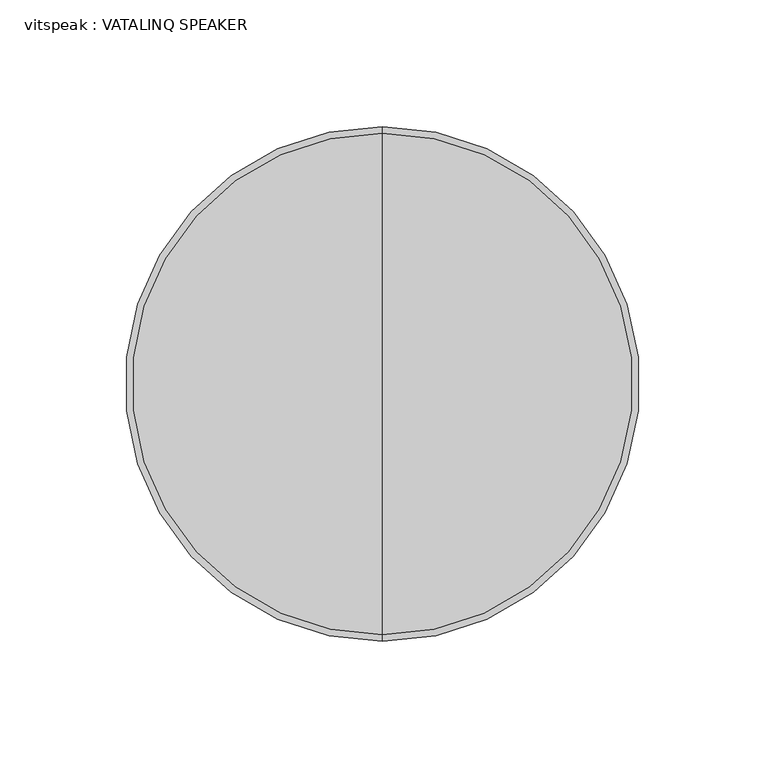
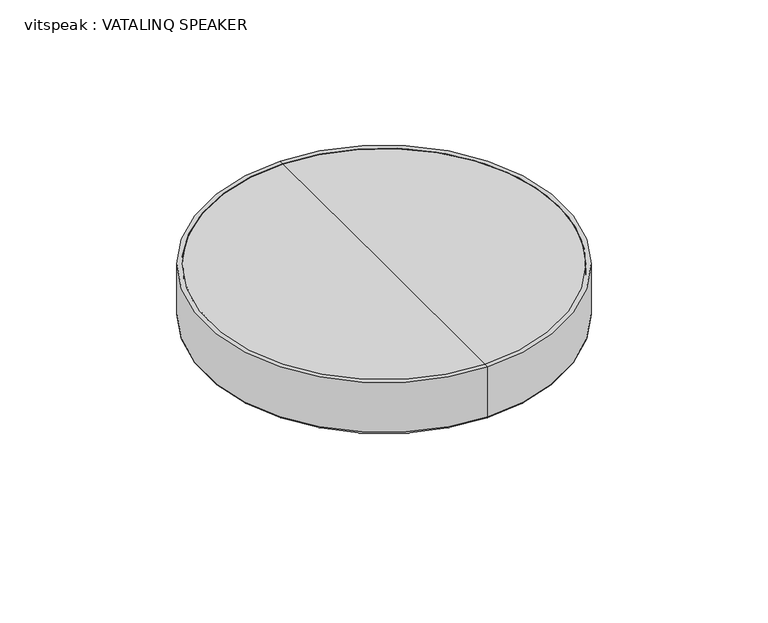
"""IFC4 building model written with IfcOpenShell, lengths in millimetres: proxy geometry, vitspeak : VATALINQ SPEAKER."""

import ifcopenshell
import ifcopenshell.guid

model = None  # the IFC model being written
_history = None  # IfcOwnerHistory: only IFC2X3 demands one
_inside = {}  # id of a spatial element -> (the spatial element, [elements in it])
_under = {}  # id of a project, library or spatial element -> (it, [spatial elements below it])
_declared = {}  # id of a project -> (the project, [libraries it declares])
_typed = {}  # id of a type object -> (the type object, [elements of that type])
_made_of = {}  # id of a material, layer set ... -> (it, [elements and type objects made of it])


def new_model(schema):
    """Start an empty IFC model of exactly this schema.

    Asked for "IFC4X3", IfcOpenShell would pick the latest addendum, in which some entities
    have other attributes; the version numbers below select the first issue.
    IFC2X3 requires an IfcOwnerHistory on every rooted entity: one is made here for all.
    """
    global model, _history
    if schema == "IFC4X3":
        model = ifcopenshell.file(schema_version=(4, 3, 0, 0))
    else:
        model = ifcopenshell.file(schema=schema)
    _inside.clear()
    _under.clear()
    _declared.clear()
    _typed.clear()
    _made_of.clear()
    _history = None
    if model.schema == "IFC2X3":
        org = make("IfcOrganization", Name="unknown")
        user = make(
            "IfcPersonAndOrganization",
            ThePerson=make("IfcPerson", FamilyName="unknown"),
            TheOrganization=org,
        )
        app = make(
            "IfcApplication",
            ApplicationDeveloper=org,
            Version="unknown",
            ApplicationFullName="unknown",
            ApplicationIdentifier="unknown",
        )
        _history = make(
            "IfcOwnerHistory",
            OwningUser=user,
            OwningApplication=app,
            ChangeAction="ADDED",
            CreationDate=0,
        )
    return model


def make(cls, **values):
    """One entity of the class cls with the attributes given. An attribute that is None is left unset."""
    return model.create_entity(
        cls, **{name: value for name, value in values.items() if value is not None}
    )


def rooted(cls, **values):
    """An entity with a GlobalId (a new one), such as an element, a storey or a relation."""
    return make(cls, GlobalId=ifcopenshell.guid.new(), OwnerHistory=_history, **values)


def si_unit(unit_type, name, prefix=None):
    """IfcSIUnit, for example si_unit("LENGTHUNIT", "METRE", prefix="MILLI")."""
    return make("IfcSIUnit", UnitType=unit_type, Prefix=prefix, Name=name)


def assignment(units):
    """IfcUnitAssignment: the units of a project."""
    return None if units is None else make("IfcUnitAssignment", Units=units)


def point(xyz):
    """IfcCartesianPoint."""
    return None if xyz is None else make("IfcCartesianPoint", Coordinates=xyz)


def direction(xyz):
    """IfcDirection."""
    return None if xyz is None else make("IfcDirection", DirectionRatios=xyz)


def frame(location, z_axis=None, x_axis=None):
    """IfcAxis2Placement3D, a coordinate frame: its origin and axes. An axis left out is left unset."""
    return make(
        "IfcAxis2Placement3D",
        Location=point(location),
        Axis=direction(z_axis),
        RefDirection=direction(x_axis),
    )


def origin():
    """The frame at (0, 0, 0) with its axes left unset."""
    return frame((0.0, 0.0, 0.0))


def place(relative_to, where):
    """IfcLocalPlacement: puts the frame where relative to a parent placement (None: the world)."""
    return make(
        "IfcLocalPlacement", PlacementRelTo=relative_to, RelativePlacement=where
    )


def context(
    kind, dimensions, precision=None, world=None, true_north=None, identifier=None
):
    """IfcGeometricRepresentationContext, for example the 3D "Model" context."""
    return make(
        "IfcGeometricRepresentationContext",
        ContextIdentifier=identifier,
        ContextType=kind,
        CoordinateSpaceDimension=dimensions,
        Precision=precision,
        WorldCoordinateSystem=world,
        TrueNorth=true_north,
    )


def project(units=None, contexts=None):
    """IfcProject with its units and contexts."""
    return rooted(
        "IfcProject",
        Name="project",
        RepresentationContexts=contexts,
        UnitsInContext=assignment(units),
    )


def spatial(cls, under=None, at=None, **own):
    """A site, building, storey or space (cls), placed at a placement, below another one or the project."""
    s = rooted(cls, ObjectPlacement=at, **own)
    if under is not None:
        _under.setdefault(under.id(), (under, []))[1].append(s)
    return s


def polyline(points):
    """IfcPolyline through the points."""
    return make("IfcPolyline", Points=[point(p) for p in points])


def circle_curve(where, radius):
    """IfcCircle in the frame where."""
    return make("IfcCircle", Position=where, Radius=radius)


def ellipse_curve(where, semi_axis1, semi_axis2):
    """IfcEllipse in the frame where."""
    return make(
        "IfcEllipse", Position=where, SemiAxis1=semi_axis1, SemiAxis2=semi_axis2
    )


def trimmed(basis, trim1, trim2, sense, master):
    """IfcTrimmedCurve: the piece of a basis curve between two trims."""
    return make(
        "IfcTrimmedCurve",
        BasisCurve=basis,
        Trim1=trim1,
        Trim2=trim2,
        SenseAgreement=sense,
        MasterRepresentation=master,
    )


def shape(context_of_items, identifier, shape_type, items):
    """IfcShapeRepresentation: the items that make up one representation, for example the "Body"."""
    return make(
        "IfcShapeRepresentation",
        ContextOfItems=context_of_items,
        RepresentationIdentifier=identifier,
        RepresentationType=shape_type,
        Items=items,
    )


def source(mapping_origin, context_of_items, identifier, shape_type, items):
    """IfcRepresentationMap: a shape defined once, which mapped items show again and again."""
    return make(
        "IfcRepresentationMap",
        MappingOrigin=mapping_origin,
        MappedRepresentation=shape(context_of_items, identifier, shape_type, items),
    )


def transform(
    local_origin,
    x_axis=None,
    y_axis=None,
    z_axis=None,
    scale=None,
    scale2=None,
    scale3=None,
    uniform=True,
):
    """IfcCartesianTransformationOperator3D, or its non-uniform kind. x_axis, y_axis, z_axis: its Axis1, 2, 3."""
    if uniform:
        return make(
            "IfcCartesianTransformationOperator3D",
            Axis1=direction(x_axis),
            Axis2=direction(y_axis),
            LocalOrigin=point(local_origin),
            Scale=scale,
            Axis3=direction(z_axis),
        )
    return make(
        "IfcCartesianTransformationOperator3DnonUniform",
        Axis1=direction(x_axis),
        Axis2=direction(y_axis),
        LocalOrigin=point(local_origin),
        Scale=scale,
        Axis3=direction(z_axis),
        Scale2=scale2,
        Scale3=scale3,
    )


def mapped(mapping_source, mapping_target):
    """IfcMappedItem: shows the shape of a source again, moved by a transform."""
    return make(
        "IfcMappedItem", MappingSource=mapping_source, MappingTarget=mapping_target
    )


def made_of(thing, what):
    """Note that an element or type object is made of a material, layer set ...; save() writes the relation."""
    if what is not None:
        _made_of.setdefault(what.id(), (what, []))[1].append(thing)
    return thing


def element(
    cls,
    number,
    at=None,
    inside=None,
    cuts=None,
    type_object=None,
    material=None,
    context=None,
    identifier="Body",
    shape_type=None,
    held_by="IfcProductDefinitionShape",
    body=None,
    shapes=None,
    **own,
):
    """One element of the class cls, such as IfcWall. Its Tag is "e" and its number.

    at: its placement. inside: the storey or other place that contains it. cuts: it is an
    opening in that element (IfcRelVoidsElement). A single representation is given by context,
    identifier, shape_type and body (its items); several are given by shapes. held_by: the class
    of the entity that holds the representations. save() writes the other relations.
    """
    e = rooted(cls, Tag="e%d" % number, ObjectPlacement=at, **own)
    if body is not None:
        shapes = [shape(context, identifier, shape_type, body)]
    if shapes is not None:
        e.Representation = make(held_by, Representations=shapes)
    if inside is not None:
        _inside.setdefault(inside.id(), (inside, []))[1].append(e)
    if cuts is not None:
        rooted(
            "IfcRelVoidsElement", RelatingBuildingElement=cuts, RelatedOpeningElement=e
        )
    if type_object is not None:
        _typed.setdefault(type_object.id(), (type_object, []))[1].append(e)
    return made_of(e, material)


def aggregate(whole, parts):
    """IfcRelAggregates: a whole, such as a stair, and the parts it consists of."""
    return rooted("IfcRelAggregates", RelatingObject=whole, RelatedObjects=parts)


def save(model, path):
    """Write the relations noted so far, then the file.

    IfcRelAggregates (storeys below a building ...), IfcRelContainedInSpatialStructure (elements
    in a storey), IfcRelDefinesByType, IfcRelAssociatesMaterial and IfcRelDeclares: one each for
    every whole, place, type object, material and project.
    """
    for whole, parts in _under.values():
        aggregate(whole, parts)
    for where, things in _inside.values():
        rooted(
            "IfcRelContainedInSpatialStructure",
            RelatedElements=things,
            RelatingStructure=where,
        )
    for kind, things in _typed.values():
        rooted("IfcRelDefinesByType", RelatedObjects=things, RelatingType=kind)
    for what, things in _made_of.values():
        rooted("IfcRelAssociatesMaterial", RelatedObjects=things, RelatingMaterial=what)
    for by, libraries in _declared.values():
        rooted("IfcRelDeclares", RelatingContext=by, RelatedDefinitions=libraries)
    model.write(path)


def plane_surface(at):
    """IfcPlane: the flat surface through the origin of the frame at, square to its z axis."""
    return make("IfcPlane", Position=at)


def cylinder_surface(at, radius):
    """IfcCylindricalSurface: all points at the distance radius from the z axis of the frame at."""
    return make("IfcCylindricalSurface", Position=at, Radius=radius)


def revolved_surface(curve, axis_point, axis_direction):
    """IfcSurfaceOfRevolution: the curve turned about the line through axis_point along axis_direction."""
    return make(
        "IfcSurfaceOfRevolution",
        SweptCurve=make("IfcArbitraryOpenProfileDef", ProfileType="CURVE", Curve=curve),
        AxisPosition=make("IfcAxis1Placement", Location=point(axis_point), Axis=direction(axis_direction)),
    )


def advanced_brep(points, edges, surfaces, faces):
    """IfcAdvancedBrep: a solid bounded by faces that lie on surfaces and meet in shared edges.

    An edge is (start, end): straight between two places in points (the first is 0);
    or (start, end, curve); or (start, end, curve, False) where it runs against its curve.
    A face is (place in surfaces, loops), or (place, loops, False) where it looks against
    its surface's normal. A loop lists edges by number (the first is 1), with a minus sign
    where the edge is run from its end to its start. The first loop is the outer one.
    """
    corners = [point(p) for p in points]
    vertices = [make("IfcVertexPoint", VertexGeometry=c) for c in corners]
    made = []
    for start, end, *more in edges:
        made.append(
            make(
                "IfcEdgeCurve",
                EdgeStart=vertices[start],
                EdgeEnd=vertices[end],
                EdgeGeometry=more[0] if more else make("IfcPolyline", Points=[corners[start], corners[end]]),
                SameSense=more[1] if len(more) > 1 else True,
            )
        )
    hull = []
    for where, loops, *sense in faces:
        bounds = []
        for j, loop in enumerate(loops):
            ring = [make("IfcOrientedEdge", EdgeElement=made[abs(k) - 1], Orientation=k > 0) for k in loop]
            bounds.append(
                make(
                    "IfcFaceOuterBound" if j == 0 else "IfcFaceBound",
                    Bound=make("IfcEdgeLoop", EdgeList=ring),
                    Orientation=True,
                )
            )
        hull.append(make("IfcAdvancedFace", Bounds=bounds, FaceSurface=surfaces[where], SameSense=sense[0] if sense else True))
    return make("IfcAdvancedBrep", Outer=make("IfcClosedShell", CfsFaces=hull))


def vitspeak_vatalinq_speaker_05727aba(model_context):
    return source(origin(), model_context, "Body", "AdvancedBrep", [
        advanced_brep(
        [(186.6920393, -415.3687595, 2763.1650804), (186.6920393, -217.2487595, 2763.1650804), (186.6920393, -217.2487595, 2733.3698933), (186.6920393, -415.3687595, 2733.3698933), (186.6920393, -417.9087595, 2763.1650804), (186.6920393, -214.7087595, 2763.1650804), (186.6920393, -417.9087595, 2733.3698933), (186.6920393, -214.7087595, 2733.3698933)],
        [
            (0, 1, circle_curve(frame((186.6920393, -316.3087595, 2763.1650804), z_axis=(0.0, 0.0, 1.0), x_axis=(0.0, 1.0, 0.0)), 99.06)),
            (1, 2),
            (2, 3, circle_curve(frame((186.6920393, -316.3087595, 2733.3698933), z_axis=(0.0, 0.0, -1.0), x_axis=(0.0, 1.0, 0.0)), 99.06)),
            (3, 0),
            (1, 0, circle_curve(frame((186.6920393, -316.3087595, 2763.1650804), z_axis=(0.0, 0.0, 1.0), x_axis=(0.0, 1.0, 0.0)), 99.06)),
            (3, 2, circle_curve(frame((186.6920393, -316.3087595, 2733.3698933), z_axis=(0.0, 0.0, -1.0), x_axis=(0.0, 1.0, 0.0)), 99.06)),
            (4, 5, circle_curve(frame((186.6920393, -316.3087595, 2763.1650804), z_axis=(0.0, 0.0, 1.0), x_axis=(0.0, 1.0, 0.0)), 101.6)),
            (5, 1),
            (0, 4),
            (5, 4, circle_curve(frame((186.6920393, -316.3087595, 2763.1650804), z_axis=(0.0, 0.0, 1.0), x_axis=(0.0, 1.0, 0.0)), 101.6)),
            (6, 7, circle_curve(frame((186.6920393, -316.3087595, 2733.3698933), z_axis=(0.0, 0.0, 1.0), x_axis=(0.0, 1.0, 0.0)), 101.6)),
            (7, 5),
            (4, 6),
            (7, 6, circle_curve(frame((186.6920393, -316.3087595, 2733.3698933), z_axis=(0.0, 0.0, 1.0), x_axis=(0.0, 1.0, 0.0)), 101.6)),
            (2, 7, circle_curve(frame((186.6920393, -215.9787595, 2733.3698933), z_axis=(1.0, 0.0, 0.0), x_axis=(0.0, -1.0, 0.0)), 1.27)),
            (6, 3, circle_curve(frame((186.6920393, -416.6387595, 2733.3698933), z_axis=(1.0, 0.0, 0.0), x_axis=(0.0, 1.0, 0.0)), 1.27)),
        ],
        [
            revolved_surface(polyline([(186.6920393, -217.2487595, 2733.3698933), (186.6920393, -217.2487595, 2763.1650804)]), (186.6920393, -316.3087595, 2786.2846697), (0.0, 0.0, -1.0)),
            plane_surface(frame((186.6920393, -316.3087595, 2763.1650804), z_axis=(0.0, 0.0, 1.0), x_axis=(0.0, 1.0, 0.0))),
            cylinder_surface(frame((186.6920393, -316.3087595, 2786.2846697), z_axis=(0.0, 0.0, -1.0), x_axis=(0.0, 1.0, 0.0)), 101.6),
            revolved_surface(trimmed(ellipse_curve(frame((186.6920393, -215.9787595, 2733.3698933), z_axis=(-1.0, 0.0, 0.0), x_axis=(0.0, -1.0, 0.0)), 1.27, 1.27), [point((186.6920393, -214.7087595, 2733.3698933))], [point((186.6920393, -217.2487595, 2733.3698933))], True, "CARTESIAN"), (186.6920393, -316.3087595, 2786.2846697), (0.0, 0.0, -1.0)),
        ],
        [
            (0, [[1, 2, 3, 4]]),
            (0, [[5, -4, 6, -2]]),
            (1, [[7, 8, -1, 9]]),
            (1, [[10, -9, -5, -8]]),
            (2, [[11, 12, -7, 13]]),
            (2, [[14, -13, -10, -12]]),
            (3, [[-3, 15, -11, 16]]),
            (3, [[-6, -16, -14, -15]]),
        ],
    ),
        advanced_brep(
        [(186.6920393, -415.3687595, 2763.1650804), (186.6920393, -217.2487595, 2763.1650804), (186.6920393, -316.3087595, 2763.1650804), (186.6920393, -415.3687595, 2733.3698933), (186.6920393, -217.2487595, 2733.3698933), (186.6920393, -316.3087595, 2706.522384)],
        [
            (0, 1, circle_curve(frame((186.6920393, -316.3087595, 2763.1650804), z_axis=(0.0, 0.0, 1.0), x_axis=(0.0, 1.0, 0.0)), 99.06)),
            (1, 2),
            (2, 0),
            (1, 0, circle_curve(frame((186.6920393, -316.3087595, 2763.1650804), z_axis=(0.0, 0.0, 1.0), x_axis=(0.0, 1.0, 0.0)), 99.06)),
            (3, 4, circle_curve(frame((186.6920393, -316.3087595, 2733.3698933), z_axis=(0.0, 0.0, 1.0), x_axis=(0.0, 1.0, 0.0)), 99.06)),
            (4, 1),
            (0, 3),
            (4, 3, circle_curve(frame((186.6920393, -316.3087595, 2733.3698933), z_axis=(0.0, 0.0, 1.0), x_axis=(0.0, 1.0, 0.0)), 99.06)),
            (5, 4, circle_curve(frame((186.6920393, -314.543755, 2896.1859679), z_axis=(1.0, 0.0, 0.0), x_axis=(0.0, -1.0, 0.0)), 189.6717962)),
            (3, 5, circle_curve(frame((186.6920393, -318.0737641, 2896.1859679), z_axis=(1.0, 0.0, 0.0), x_axis=(0.0, 1.0, 0.0)), 189.6717962)),
        ],
        [
            plane_surface(frame((186.6920393, -316.3087595, 2763.1650804), z_axis=(0.0, 0.0, 1.0), x_axis=(0.0, 1.0, 0.0))),
            cylinder_surface(frame((186.6920393, -316.3087595, 2786.2846697), z_axis=(0.0, 0.0, -1.0), x_axis=(0.0, 1.0, 0.0)), 99.06),
            revolved_surface(trimmed(ellipse_curve(frame((186.6920393, -314.543755, 2896.1859679), z_axis=(-1.0, 0.0, 0.0), x_axis=(0.0, -1.0, 0.0)), 189.6717962, 189.6717962), [point((186.6920393, -217.2487595, 2733.3698933))], [point((186.6920393, -316.3087595, 2706.522384))], True, "CARTESIAN"), (186.6920393, -316.3087595, 2786.2846697), (0.0, 0.0, -1.0)),
        ],
        [
            (0, [[1, 2, 3]]),
            (0, [[4, -3, -2]]),
            (1, [[5, 6, -1, 7]]),
            (1, [[8, -7, -4, -6]]),
            (2, [[9, -5, 10]]),
            (2, [[-10, -8, -9]]),
        ],
    ),
    ])


if __name__ == "__main__":
    model = new_model("IFC4")
    model_context = context("Model", 3, world=origin())
    ifc_project = project(units=[si_unit("LENGTHUNIT", "METRE", prefix="MILLI")], contexts=[model_context])
    site = spatial("IfcSite", under=ifc_project)
    building = spatial("IfcBuilding", under=site)
    placement = place(None, origin())
    vitspeak_vatalinq_speaker_shape = vitspeak_vatalinq_speaker_05727aba(model_context)
    element("IfcBuildingElementProxy", 1, Name="vitspeak : VATALINQ SPEAKER", ObjectType="vitspeak : VATALINQ SPEAKER", at=placement, inside=building, context=model_context, shape_type="MappedRepresentation", body=[
        mapped(vitspeak_vatalinq_speaker_shape, transform((0.0, 0.0, 0.0), x_axis=(1.0, 0.0, 0.0), y_axis=(0.0, 1.0, 0.0), z_axis=(0.0, 0.0, 1.0))),
    ])
    save(model, "model.ifc")
